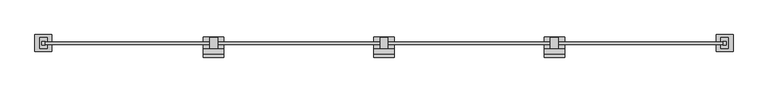
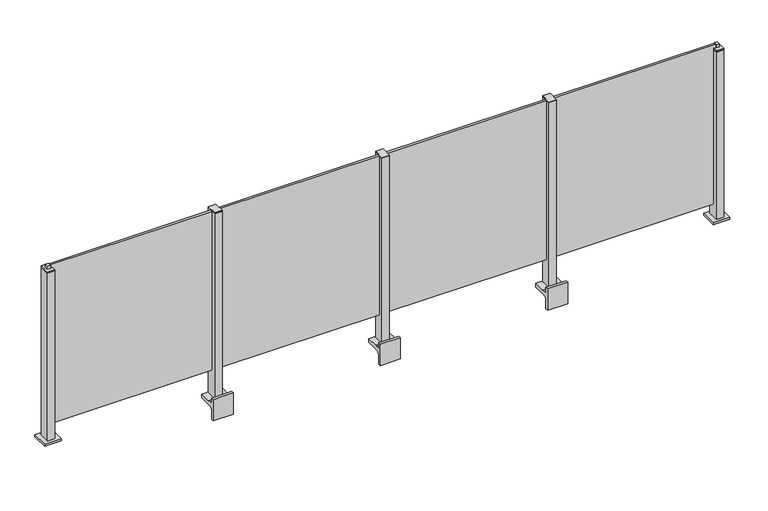
"""IFC4 building model written with IfcOpenShell, lengths in millimetres: railing geometry."""

from ifc_helpers import new_model, si_unit, point, frame, frame_2d, origin, origin_with_axes, place, context, project, spatial, polyline, circle_curve, trimmed, segment, composite_curve, outline, extrude, source, transform, mapped, element, save


def railing_12b62705(model_context):
    return source(origin(), model_context, "Body", "SweptSolid", [
        extrude(outline(polyline([(33010.0, 2696.5598727), (33990.0, 2696.5598727), (33990.0, 2683.3598727), (33010.0, 2683.3598727), (33010.0, 2696.5598727)])), frame((0.0, 0.0, 95.0), z_axis=(0.0, 0.0, 1.0), x_axis=(1.0, 0.0, 0.0)), (0.0, 0.0, 1.0), 1005.0),
        extrude(outline(composite_curve([segment(polyline([(2657.6846828, -70.0), (2727.6846828, -70.0), (2727.6846828, -93.5), (2643.6846828, -93.5)]), True, "CONTINUOUS"), segment(trimmed(circle_curve(frame_2d((2643.6846828, -113.5)), 20.0), [point((2643.6846828, -93.5))], [point((2623.6846828, -113.5))], True, "CARTESIAN"), True, "CONTINUOUS"), segment(polyline([(2623.6846828, -113.5), (2623.6846828, -167.5), (2607.6846828, -167.5), (2607.6846828, -32.5), (2623.6846828, -32.5), (2623.6846828, -63.0), (2657.6846828, -70.0)]), True, "CONTINUOUS")], self_intersect=False)), frame((32940.0, 0.0, 0.0), z_axis=(1.0, 0.0, 0.0), x_axis=(0.0, 1.0, 0.0)), (0.0, 0.0, 1.0), 120.0),
        extrude(outline(polyline([(33022.5, 2657.6846828), (32977.5, 2657.6846828), (32977.5, 2722.6846828), (33022.5, 2722.6846828), (33022.5, 2657.6846828)])), frame((0.0, 0.0, -70.0), z_axis=(0.0, 0.0, 1.0), x_axis=(1.0, 0.0, 0.0)), (0.0, 0.0, 1.0), 1170.0),
        extrude(outline(polyline([(33022.5, 2657.6846828), (32977.5, 2657.6846828), (32977.5, 2722.6846828), (33022.5, 2722.6846828), (33022.5, 2657.6846828)])), frame((0.0, 0.0, 1100.0), z_axis=(0.0, 0.0, 1.0), x_axis=(1.0, 0.0, 0.0)), (0.0, 0.0, 1.0), 5.0),
        extrude(outline(polyline([(32010.0, 2696.5598727), (32990.0, 2696.5598727), (32990.0, 2683.3598727), (32010.0, 2683.3598727), (32010.0, 2696.5598727)])), frame((0.0, 0.0, 95.0), z_axis=(0.0, 0.0, 1.0), x_axis=(1.0, 0.0, 0.0)), (0.0, 0.0, 1.0), 1005.0),
        extrude(outline(composite_curve([segment(polyline([(2657.6846828, -70.0), (2727.6846828, -70.0), (2727.6846828, -93.5), (2643.6846828, -93.5)]), True, "CONTINUOUS"), segment(trimmed(circle_curve(frame_2d((2643.6846828, -113.5)), 20.0), [point((2643.6846828, -93.5))], [point((2623.6846828, -113.5))], True, "CARTESIAN"), True, "CONTINUOUS"), segment(polyline([(2623.6846828, -113.5), (2623.6846828, -167.5), (2607.6846828, -167.5), (2607.6846828, -32.5), (2623.6846828, -32.5), (2623.6846828, -63.0), (2657.6846828, -70.0)]), True, "CONTINUOUS")], self_intersect=False)), frame((31940.0, 0.0, 0.0), z_axis=(1.0, 0.0, 0.0), x_axis=(0.0, 1.0, 0.0)), (0.0, 0.0, 1.0), 120.0),
        extrude(outline(polyline([(32022.5, 2657.6846828), (31977.5, 2657.6846828), (31977.5, 2722.6846828), (32022.5, 2722.6846828), (32022.5, 2657.6846828)])), frame((0.0, 0.0, -70.0), z_axis=(0.0, 0.0, 1.0), x_axis=(1.0, 0.0, 0.0)), (0.0, 0.0, 1.0), 1170.0),
        extrude(outline(polyline([(32022.5, 2657.6846828), (31977.5, 2657.6846828), (31977.5, 2722.6846828), (32022.5, 2722.6846828), (32022.5, 2657.6846828)])), frame((0.0, 0.0, 1100.0), z_axis=(0.0, 0.0, 1.0), x_axis=(1.0, 0.0, 0.0)), (0.0, 0.0, 1.0), 5.0),
        extrude(outline(polyline([(31010.0, 2696.5598727), (31990.0, 2696.5598727), (31990.0, 2683.3598727), (31010.0, 2683.3598727), (31010.0, 2696.5598727)])), frame((0.0, 0.0, 95.0), z_axis=(0.0, 0.0, 1.0), x_axis=(1.0, 0.0, 0.0)), (0.0, 0.0, 1.0), 1005.0),
        extrude(outline(composite_curve([segment(polyline([(2657.6846828, -70.0), (2727.6846828, -70.0), (2727.6846828, -93.5), (2643.6846828, -93.5)]), True, "CONTINUOUS"), segment(trimmed(circle_curve(frame_2d((2643.6846828, -113.5)), 20.0), [point((2643.6846828, -93.5))], [point((2623.6846828, -113.5))], True, "CARTESIAN"), True, "CONTINUOUS"), segment(polyline([(2623.6846828, -113.5), (2623.6846828, -167.5), (2607.6846828, -167.5), (2607.6846828, -32.5), (2623.6846828, -32.5), (2623.6846828, -63.0), (2657.6846828, -70.0)]), True, "CONTINUOUS")], self_intersect=False)), frame((30940.0, 0.0, 0.0), z_axis=(1.0, 0.0, 0.0), x_axis=(0.0, 1.0, 0.0)), (0.0, 0.0, 1.0), 120.0),
        extrude(outline(polyline([(31022.5, 2657.6846828), (30977.5, 2657.6846828), (30977.5, 2722.6846828), (31022.5, 2722.6846828), (31022.5, 2657.6846828)])), frame((0.0, 0.0, -70.0), z_axis=(0.0, 0.0, 1.0), x_axis=(1.0, 0.0, 0.0)), (0.0, 0.0, 1.0), 1170.0),
        extrude(outline(polyline([(31022.5, 2657.6846828), (30977.5, 2657.6846828), (30977.5, 2722.6846828), (31022.5, 2722.6846828), (31022.5, 2657.6846828)])), frame((0.0, 0.0, 1100.0), z_axis=(0.0, 0.0, 1.0), x_axis=(1.0, 0.0, 0.0)), (0.0, 0.0, 1.0), 5.0),
        extrude(outline(polyline([(30010.0, 2696.5598727), (30990.0, 2696.5598727), (30990.0, 2683.3598727), (30010.0, 2683.3598727), (30010.0, 2696.5598727)])), frame((0.0, 0.0, 95.0), z_axis=(0.0, 0.0, 1.0), x_axis=(1.0, 0.0, 0.0)), (0.0, 0.0, 1.0), 1005.0),
        extrude(outline(polyline([(34010.0, 2680.1846828), (33990.0, 2680.1846828), (33990.0, 2700.1846828), (34010.0, 2700.1846828), (34010.0, 2680.1846828)])), frame((0.0, 0.0, 1080.0), z_axis=(0.0, 0.0, 1.0), x_axis=(1.0, 0.0, 0.0)), (0.0, 0.0, 1.0), 20.0),
        extrude(outline(polyline([(34022.5, 2657.6846828), (33977.5, 2657.6846828), (33977.5, 2722.6846828), (34022.5, 2722.6846828), (34022.5, 2657.6846828)])), frame((0.0, 0.0, 1072.0), z_axis=(0.0, 0.0, 1.0), x_axis=(1.0, 0.0, 0.0)), (0.0, 0.0, 1.0), 8.0),
        extrude(outline(polyline([(34050.0, 2640.1846828), (33950.0, 2640.1846828), (33950.0, 2740.1846828), (34050.0, 2740.1846828), (34050.0, 2640.1846828)])), origin_with_axes(), (0.0, 0.0, 1.0), 12.0),
        extrude(outline(polyline([(34022.5, 2657.6846828), (33977.5, 2657.6846828), (33977.5, 2722.6846828), (34022.5, 2722.6846828), (34022.5, 2657.6846828)])), frame((0.0, 0.0, 12.0), z_axis=(0.0, 0.0, 1.0), x_axis=(1.0, 0.0, 0.0)), (0.0, 0.0, 1.0), 1060.0),
        extrude(outline(polyline([(30010.0, 2680.1846828), (29990.0, 2680.1846828), (29990.0, 2700.1846828), (30010.0, 2700.1846828), (30010.0, 2680.1846828)])), frame((0.0, 0.0, 1080.0), z_axis=(0.0, 0.0, 1.0), x_axis=(1.0, 0.0, 0.0)), (0.0, 0.0, 1.0), 20.0),
        extrude(outline(polyline([(30022.5, 2657.6846828), (29977.5, 2657.6846828), (29977.5, 2722.6846828), (30022.5, 2722.6846828), (30022.5, 2657.6846828)])), frame((0.0, 0.0, 1072.0), z_axis=(0.0, 0.0, 1.0), x_axis=(1.0, 0.0, 0.0)), (0.0, 0.0, 1.0), 8.0),
        extrude(outline(polyline([(30050.0, 2640.1846828), (29950.0, 2640.1846828), (29950.0, 2740.1846828), (30050.0, 2740.1846828), (30050.0, 2640.1846828)])), origin_with_axes(), (0.0, 0.0, 1.0), 12.0),
        extrude(outline(polyline([(30022.5, 2657.6846828), (29977.5, 2657.6846828), (29977.5, 2722.6846828), (30022.5, 2722.6846828), (30022.5, 2657.6846828)])), frame((0.0, 0.0, 12.0), z_axis=(0.0, 0.0, 1.0), x_axis=(1.0, 0.0, 0.0)), (0.0, 0.0, 1.0), 1060.0),
    ])


if __name__ == "__main__":
    model = new_model("IFC4")
    model_context = context("Model", 3, world=origin())
    ifc_project = project(units=[si_unit("LENGTHUNIT", "METRE", prefix="MILLI")], contexts=[model_context])
    site = spatial("IfcSite", under=ifc_project)
    building = spatial("IfcBuilding", under=site)
    placement = place(None, origin())
    railing_shape = railing_12b62705(model_context)
    element("IfcRailing", 1, at=placement, inside=building, context=model_context, shape_type="MappedRepresentation", body=[
        mapped(railing_shape, transform((0.0, 0.0, 0.0), x_axis=(1.0, 0.0, 0.0), y_axis=(0.0, 1.0, 0.0), z_axis=(0.0, 0.0, 1.0))),
    ])
    save(model, "model.ifc")
